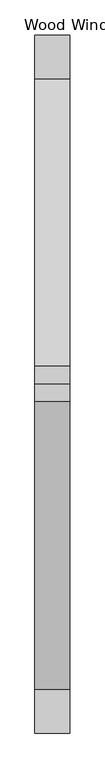
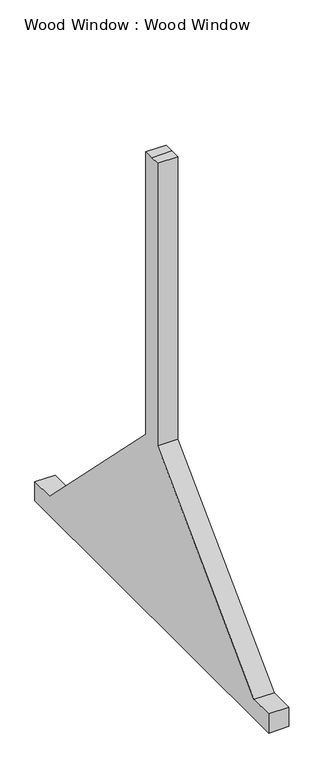
"""IFC4 building model written with IfcOpenShell, lengths in millimetres: proxy geometry, Wood Window : Wood Window."""

from ifc_helpers import new_model, si_unit, frame, origin, place, context, project, spatial, polyline, outline, extrude, source, transform, mapped, element, save


def wood_window_wood_window_78fe701a(model_context):
    return source(origin(), model_context, "Body", "SweptSolid", [
        extrude(outline(polyline([(-91553.2570442, 0.0), (-91553.2570442, 101.6), (-91426.2570442, 101.6), (-90588.0570442, 939.8), (-90588.0570442, 2438.4), (-90537.2570442, 2438.4), (-90486.4570442, 2438.4), (-90486.4570442, 939.8), (-89648.2570442, 101.6), (-89521.2570442, 101.6), (-89521.2570442, 0.0), (-91553.2570442, 0.0)])), frame((260409.2043688, 0.0, 0.0), z_axis=(1.0, 0.0, 0.0), x_axis=(0.0, 1.0, 0.0)), (0.0, 0.0, 1.0), 101.6),
    ])


if __name__ == "__main__":
    model = new_model("IFC4")
    model_context = context("Model", 3, world=origin())
    ifc_project = project(units=[si_unit("LENGTHUNIT", "METRE", prefix="MILLI")], contexts=[model_context])
    site = spatial("IfcSite", under=ifc_project)
    building = spatial("IfcBuilding", under=site)
    placement = place(None, origin())
    wood_window_wood_window_shape = wood_window_wood_window_78fe701a(model_context)
    element("IfcBuildingElementProxy", 1, Name="Wood Window : Wood Window", ObjectType="Wood Window : Wood Window", at=placement, inside=building, context=model_context, shape_type="MappedRepresentation", body=[
        mapped(wood_window_wood_window_shape, transform((0.0, 0.0, 0.0), x_axis=(1.0, 0.0, 0.0), y_axis=(0.0, 1.0, 0.0), z_axis=(0.0, 0.0, 1.0))),
    ])
    save(model, "model.ifc")
